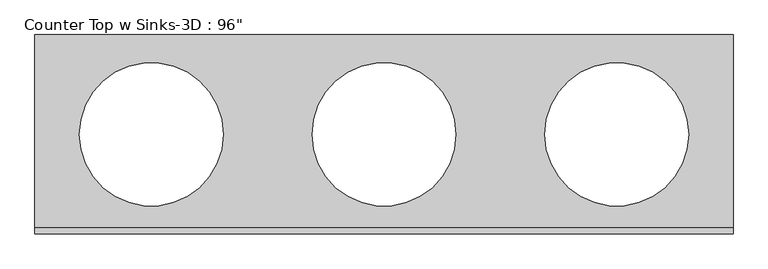
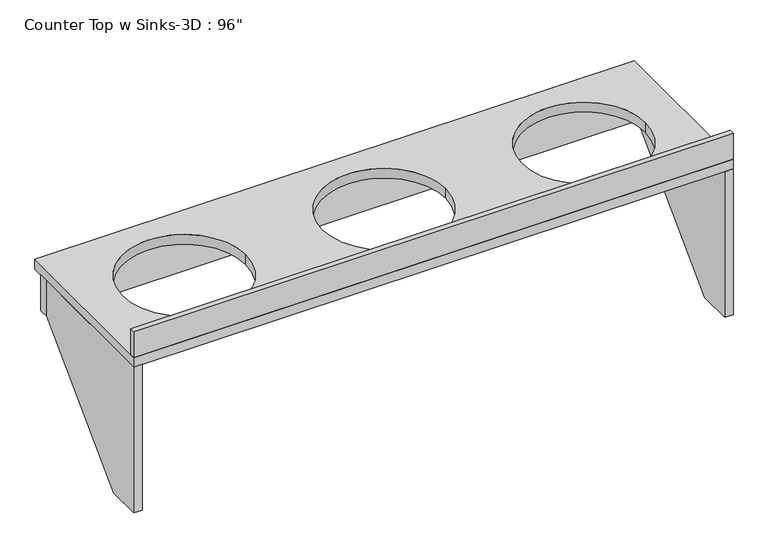
"""IFC4 building model written with IfcOpenShell, lengths in millimetres: furniture geometry."""

from ifc_helpers import new_model, si_unit, point, frame, frame_2d, origin, place, context, project, spatial, polyline, circle_curve, trimmed, segment, composite_curve, outline, extrude, source, transform, mapped, element, save


def furniture_f9f563d9(model_context):
    return source(origin(), model_context, "Body", "SweptSolid", [
        extrude(outline(polyline([(171.45, 825.5), (730.25, 825.5), (730.25, 685.8), (298.45, 254.0), (171.45, 254.0), (171.45, 825.5)])), frame((-1116.1103038, 0.0, 0.0), z_axis=(1.0, 0.0, 0.0), x_axis=(0.0, 1.0, 0.0)), (0.0, 0.0, 1.0), 31.75),
        extrude(outline(polyline([(171.45, 825.5), (730.25, 825.5), (730.25, 685.8), (298.45, 254.0), (171.45, 254.0), (171.45, 825.5)])), frame((1074.6396962, 0.0, 0.0), z_axis=(1.0, 0.0, 0.0), x_axis=(0.0, 1.0, 0.0)), (0.0, 0.0, 1.0), 31.75),
        extrude(outline(polyline([(-1116.1103038, 730.25), (-1116.1103038, 768.35), (1106.3896962, 768.35), (1106.3896962, 730.25), (-1116.1103038, 730.25)])), frame((0.0, 0.0, 685.8), z_axis=(0.0, 0.0, 1.0), x_axis=(1.0, 0.0, 0.0)), (0.0, 0.0, 1.0), 139.7),
        extrude(outline(polyline([(1106.3896962, 171.45), (-1116.1103038, 171.45), (-1116.1103038, 190.5), (1106.3896962, 190.5), (1106.3896962, 171.45)])), frame((0.0, 0.0, 863.6), z_axis=(0.0, 0.0, 1.0), x_axis=(1.0, 0.0, 0.0)), (0.0, 0.0, 1.0), 101.6),
        extrude(outline(polyline([(1106.3896962, 171.45), (-1116.1103038, 171.45), (-1116.1103038, 806.45), (1106.3896962, 806.45), (1106.3896962, 171.45)]), holes=[composite_curve([segment(trimmed(circle_curve(frame_2d((-745.6936371, 488.95)), 228.6), [point((-974.2936371, 488.95))], [point((-517.0936371, 488.95))], True, "CARTESIAN"), True, "CONTINUOUS"), segment(trimmed(circle_curve(frame_2d((-745.6936371, 488.95)), 228.6), [point((-517.0936371, 488.95))], [point((-974.2936371, 488.95))], True, "CARTESIAN"), True, "CONTINUOUS")], self_intersect=False), composite_curve([segment(trimmed(circle_curve(frame_2d((735.9730295, 488.95)), 228.6), [point((507.3730295, 488.95))], [point((964.5730295, 488.95))], True, "CARTESIAN"), True, "CONTINUOUS"), segment(trimmed(circle_curve(frame_2d((735.9730295, 488.95)), 228.6), [point((964.5730295, 488.95))], [point((507.3730295, 488.95))], True, "CARTESIAN"), True, "CONTINUOUS")], self_intersect=False), composite_curve([segment(trimmed(circle_curve(frame_2d((-4.8603038, 488.95)), 228.6), [point((-233.4603038, 488.95))], [point((223.7396962, 488.95))], True, "CARTESIAN"), True, "CONTINUOUS"), segment(trimmed(circle_curve(frame_2d((-4.8603038, 488.95)), 228.6), [point((223.7396962, 488.95))], [point((-233.4603038, 488.95))], True, "CARTESIAN"), True, "CONTINUOUS")], self_intersect=False)]), frame((0.0, 0.0, 825.5), z_axis=(0.0, 0.0, 1.0), x_axis=(1.0, 0.0, 0.0)), (0.0, 0.0, 1.0), 38.1),
    ])


if __name__ == "__main__":
    model = new_model("IFC4")
    model_context = context("Model", 3, world=origin())
    ifc_project = project(units=[si_unit("LENGTHUNIT", "METRE", prefix="MILLI")], contexts=[model_context])
    site = spatial("IfcSite", under=ifc_project)
    building = spatial("IfcBuilding", under=site)
    placement = place(None, origin())
    furniture_shape = furniture_f9f563d9(model_context)
    element("IfcFurniture", 1, ObjectType="Counter Top w Sinks-3D : 96\"", at=placement, inside=building, context=model_context, shape_type="MappedRepresentation", body=[
        mapped(furniture_shape, transform((0.0, 0.0, 0.0), x_axis=(1.0, 0.0, 0.0), y_axis=(0.0, 1.0, 0.0), z_axis=(0.0, 0.0, 1.0))),
    ])
    save(model, "model.ifc")
